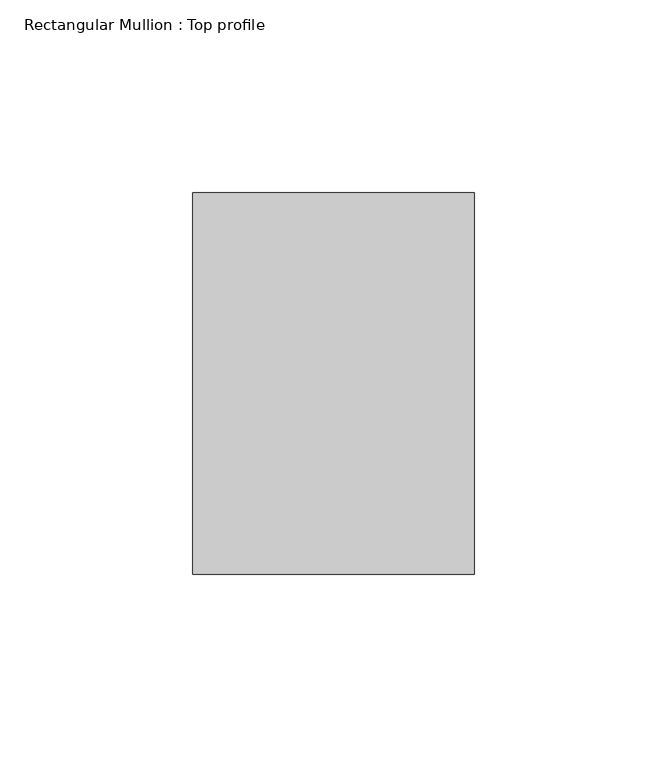
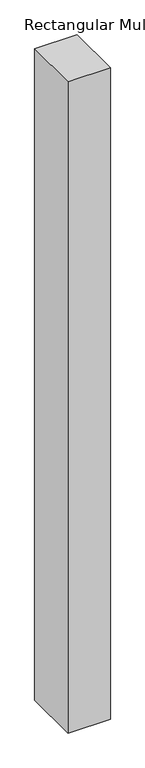
"""IFC4 building model written with IfcOpenShell, lengths in millimetres: member geometry, Rectangular Mullion : Top profile."""

import ifcopenshell
import ifcopenshell.guid

model = None  # the IFC model being written
_history = None  # IfcOwnerHistory: only IFC2X3 demands one
_inside = {}  # id of a spatial element -> (the spatial element, [elements in it])
_under = {}  # id of a project, library or spatial element -> (it, [spatial elements below it])
_declared = {}  # id of a project -> (the project, [libraries it declares])
_typed = {}  # id of a type object -> (the type object, [elements of that type])
_made_of = {}  # id of a material, layer set ... -> (it, [elements and type objects made of it])


def new_model(schema):
    """Start an empty IFC model of exactly this schema.

    Asked for "IFC4X3", IfcOpenShell would pick the latest addendum, in which some entities
    have other attributes; the version numbers below select the first issue.
    IFC2X3 requires an IfcOwnerHistory on every rooted entity: one is made here for all.
    """
    global model, _history
    if schema == "IFC4X3":
        model = ifcopenshell.file(schema_version=(4, 3, 0, 0))
    else:
        model = ifcopenshell.file(schema=schema)
    _inside.clear()
    _under.clear()
    _declared.clear()
    _typed.clear()
    _made_of.clear()
    _history = None
    if model.schema == "IFC2X3":
        org = make("IfcOrganization", Name="unknown")
        user = make(
            "IfcPersonAndOrganization",
            ThePerson=make("IfcPerson", FamilyName="unknown"),
            TheOrganization=org,
        )
        app = make(
            "IfcApplication",
            ApplicationDeveloper=org,
            Version="unknown",
            ApplicationFullName="unknown",
            ApplicationIdentifier="unknown",
        )
        _history = make(
            "IfcOwnerHistory",
            OwningUser=user,
            OwningApplication=app,
            ChangeAction="ADDED",
            CreationDate=0,
        )
    return model


def make(cls, **values):
    """One entity of the class cls with the attributes given. An attribute that is None is left unset."""
    return model.create_entity(
        cls, **{name: value for name, value in values.items() if value is not None}
    )


def rooted(cls, **values):
    """An entity with a GlobalId (a new one), such as an element, a storey or a relation."""
    return make(cls, GlobalId=ifcopenshell.guid.new(), OwnerHistory=_history, **values)


def si_unit(unit_type, name, prefix=None):
    """IfcSIUnit, for example si_unit("LENGTHUNIT", "METRE", prefix="MILLI")."""
    return make("IfcSIUnit", UnitType=unit_type, Prefix=prefix, Name=name)


def assignment(units):
    """IfcUnitAssignment: the units of a project."""
    return None if units is None else make("IfcUnitAssignment", Units=units)


def point(xyz):
    """IfcCartesianPoint."""
    return None if xyz is None else make("IfcCartesianPoint", Coordinates=xyz)


def direction(xyz):
    """IfcDirection."""
    return None if xyz is None else make("IfcDirection", DirectionRatios=xyz)


def frame(location, z_axis=None, x_axis=None):
    """IfcAxis2Placement3D, a coordinate frame: its origin and axes. An axis left out is left unset."""
    return make(
        "IfcAxis2Placement3D",
        Location=point(location),
        Axis=direction(z_axis),
        RefDirection=direction(x_axis),
    )


def origin():
    """The frame at (0, 0, 0) with its axes left unset."""
    return frame((0.0, 0.0, 0.0))


def place(relative_to, where):
    """IfcLocalPlacement: puts the frame where relative to a parent placement (None: the world)."""
    return make(
        "IfcLocalPlacement", PlacementRelTo=relative_to, RelativePlacement=where
    )


def context(
    kind, dimensions, precision=None, world=None, true_north=None, identifier=None
):
    """IfcGeometricRepresentationContext, for example the 3D "Model" context."""
    return make(
        "IfcGeometricRepresentationContext",
        ContextIdentifier=identifier,
        ContextType=kind,
        CoordinateSpaceDimension=dimensions,
        Precision=precision,
        WorldCoordinateSystem=world,
        TrueNorth=true_north,
    )


def project(units=None, contexts=None):
    """IfcProject with its units and contexts."""
    return rooted(
        "IfcProject",
        Name="project",
        RepresentationContexts=contexts,
        UnitsInContext=assignment(units),
    )


def spatial(cls, under=None, at=None, **own):
    """A site, building, storey or space (cls), placed at a placement, below another one or the project."""
    s = rooted(cls, ObjectPlacement=at, **own)
    if under is not None:
        _under.setdefault(under.id(), (under, []))[1].append(s)
    return s


def polyline(points):
    """IfcPolyline through the points."""
    return make("IfcPolyline", Points=[point(p) for p in points])


def outline(outer, holes=None, kind="AREA"):
    """IfcArbitraryClosedProfileDef: a profile drawn as a closed curve; with holes, ...WithVoids."""
    if holes is None:
        return make("IfcArbitraryClosedProfileDef", ProfileType=kind, OuterCurve=outer)
    return make(
        "IfcArbitraryProfileDefWithVoids",
        ProfileType=kind,
        OuterCurve=outer,
        InnerCurves=holes,
    )


def extrude(swept, where, along, depth):
    """IfcExtrudedAreaSolid: the profile swept, set in the frame where, extruded along a direction by depth."""
    return make(
        "IfcExtrudedAreaSolid",
        SweptArea=swept,
        Position=where,
        ExtrudedDirection=direction(along),
        Depth=depth,
    )


def shape(context_of_items, identifier, shape_type, items):
    """IfcShapeRepresentation: the items that make up one representation, for example the "Body"."""
    return make(
        "IfcShapeRepresentation",
        ContextOfItems=context_of_items,
        RepresentationIdentifier=identifier,
        RepresentationType=shape_type,
        Items=items,
    )


def source(mapping_origin, context_of_items, identifier, shape_type, items):
    """IfcRepresentationMap: a shape defined once, which mapped items show again and again."""
    return make(
        "IfcRepresentationMap",
        MappingOrigin=mapping_origin,
        MappedRepresentation=shape(context_of_items, identifier, shape_type, items),
    )


def transform(
    local_origin,
    x_axis=None,
    y_axis=None,
    z_axis=None,
    scale=None,
    scale2=None,
    scale3=None,
    uniform=True,
):
    """IfcCartesianTransformationOperator3D, or its non-uniform kind. x_axis, y_axis, z_axis: its Axis1, 2, 3."""
    if uniform:
        return make(
            "IfcCartesianTransformationOperator3D",
            Axis1=direction(x_axis),
            Axis2=direction(y_axis),
            LocalOrigin=point(local_origin),
            Scale=scale,
            Axis3=direction(z_axis),
        )
    return make(
        "IfcCartesianTransformationOperator3DnonUniform",
        Axis1=direction(x_axis),
        Axis2=direction(y_axis),
        LocalOrigin=point(local_origin),
        Scale=scale,
        Axis3=direction(z_axis),
        Scale2=scale2,
        Scale3=scale3,
    )


def mapped(mapping_source, mapping_target):
    """IfcMappedItem: shows the shape of a source again, moved by a transform."""
    return make(
        "IfcMappedItem", MappingSource=mapping_source, MappingTarget=mapping_target
    )


def made_of(thing, what):
    """Note that an element or type object is made of a material, layer set ...; save() writes the relation."""
    if what is not None:
        _made_of.setdefault(what.id(), (what, []))[1].append(thing)
    return thing


def element(
    cls,
    number,
    at=None,
    inside=None,
    cuts=None,
    type_object=None,
    material=None,
    context=None,
    identifier="Body",
    shape_type=None,
    held_by="IfcProductDefinitionShape",
    body=None,
    shapes=None,
    **own,
):
    """One element of the class cls, such as IfcWall. Its Tag is "e" and its number.

    at: its placement. inside: the storey or other place that contains it. cuts: it is an
    opening in that element (IfcRelVoidsElement). A single representation is given by context,
    identifier, shape_type and body (its items); several are given by shapes. held_by: the class
    of the entity that holds the representations. save() writes the other relations.
    """
    e = rooted(cls, Tag="e%d" % number, ObjectPlacement=at, **own)
    if body is not None:
        shapes = [shape(context, identifier, shape_type, body)]
    if shapes is not None:
        e.Representation = make(held_by, Representations=shapes)
    if inside is not None:
        _inside.setdefault(inside.id(), (inside, []))[1].append(e)
    if cuts is not None:
        rooted(
            "IfcRelVoidsElement", RelatingBuildingElement=cuts, RelatedOpeningElement=e
        )
    if type_object is not None:
        _typed.setdefault(type_object.id(), (type_object, []))[1].append(e)
    return made_of(e, material)


def aggregate(whole, parts):
    """IfcRelAggregates: a whole, such as a stair, and the parts it consists of."""
    return rooted("IfcRelAggregates", RelatingObject=whole, RelatedObjects=parts)


def save(model, path):
    """Write the relations noted so far, then the file.

    IfcRelAggregates (storeys below a building ...), IfcRelContainedInSpatialStructure (elements
    in a storey), IfcRelDefinesByType, IfcRelAssociatesMaterial and IfcRelDeclares: one each for
    every whole, place, type object, material and project.
    """
    for whole, parts in _under.values():
        aggregate(whole, parts)
    for where, things in _inside.values():
        rooted(
            "IfcRelContainedInSpatialStructure",
            RelatedElements=things,
            RelatingStructure=where,
        )
    for kind, things in _typed.values():
        rooted("IfcRelDefinesByType", RelatedObjects=things, RelatingType=kind)
    for what, things in _made_of.values():
        rooted("IfcRelAssociatesMaterial", RelatedObjects=things, RelatingMaterial=what)
    for by, libraries in _declared.values():
        rooted("IfcRelDeclares", RelatingContext=by, RelatedDefinitions=libraries)
    model.write(path)


def rectangular_mullion_top_profile_4b5e5041(model_context):
    return source(origin(), model_context, "Body", "SweptSolid", [
        extrude(outline(polyline([(-73.0, -49.5), (-73.0, 49.5), (0.0, 49.5), (0.0, -49.5), (-73.0, -49.5)])), frame((0.0, 0.0, -1185.0), z_axis=(0.0, 0.0, 1.0), x_axis=(1.0, 0.0, 0.0)), (0.0, 0.0, 1.0), 1185.0),
    ])


if __name__ == "__main__":
    model = new_model("IFC4")
    model_context = context("Model", 3, world=origin())
    ifc_project = project(units=[si_unit("LENGTHUNIT", "METRE", prefix="MILLI")], contexts=[model_context])
    site = spatial("IfcSite", under=ifc_project)
    building = spatial("IfcBuilding", under=site)
    placement = place(None, origin())
    rectangular_mullion_top_profile_shape = rectangular_mullion_top_profile_4b5e5041(model_context)
    element("IfcMember", 1, ObjectType="Rectangular Mullion : Top profile", at=placement, inside=building, context=model_context, shape_type="MappedRepresentation", body=[
        mapped(rectangular_mullion_top_profile_shape, transform((0.0, 0.0, 0.0), x_axis=(1.0, 0.0, 0.0), y_axis=(0.0, 1.0, 0.0), z_axis=(0.0, 0.0, 1.0))),
    ])
    save(model, "model.ifc")
